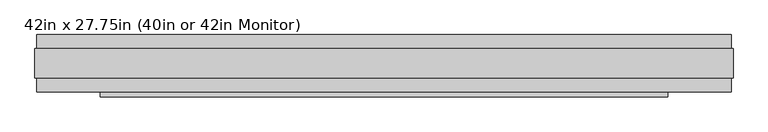
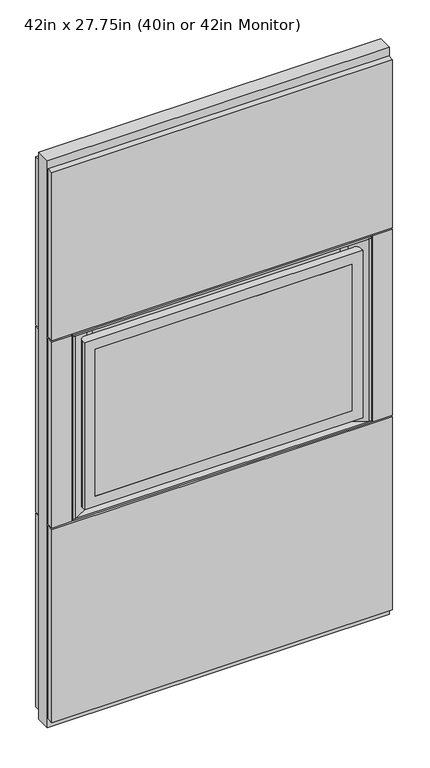
"""IFC4 building model written with IfcOpenShell, lengths in millimetres: plate geometry, 42in x 27.75in (40in or 42in Monitor)."""

from ifc_helpers import new_model, si_unit, point, frame, frame_2d, origin, place, context, project, spatial, polyline, circle_curve, trimmed, segment, composite_curve, outline, extrude, faceted_brep, source, transform, mapped, element, save
from ifc_brep_helpers import plane_surface, cylinder_surface, advanced_brep


def plate_42in_x_27_75in_40in_or_42in_monitor_c6f473be(model_context):
    return source(origin(), model_context, "Body", "SolidModel", [
        advanced_brep(
        [(495.3, -44.7032, 1428.75), (480.06, -29.4632, 1428.75), (-480.06, -29.4632, 1428.75), (-495.3, -44.7032, 1428.75), (-495.3, -58.9272, 1428.75), (495.3, -58.9272, 1428.75), (495.3, -44.7032, 800.1), (495.3, -58.9272, 800.1), (-495.3, -58.9272, 800.1), (-495.3, -44.7032, 800.1), (-480.06, -29.4632, 800.1), (480.06, -29.4632, 800.1), (-457.2, -58.9272, 838.2), (-457.2, -58.9272, 1390.65), (457.2, -58.9272, 1390.65), (457.2, -58.9272, 838.2), (-457.2, -56.3872, 1390.65), (-457.2, -56.3872, 838.2), (457.2, -56.3872, 838.2), (457.2, -56.3872, 1390.65)],
        [
            (0, 1, circle_curve(frame((480.06, -44.7032, 1428.75), z_axis=(0.0, 0.0, 1.0), x_axis=(0.0, -1.0000000000000007, 0.0)), 15.24)),
            (1, 2),
            (2, 3, circle_curve(frame((-480.06, -44.7032, 1428.75), z_axis=(0.0, 0.0, 1.0), x_axis=(0.0, -1.0000000000000007, 0.0)), 15.24)),
            (3, 4),
            (4, 5),
            (5, 0),
            (6, 7),
            (7, 8),
            (8, 9),
            (9, 10, circle_curve(frame((-480.06, -44.7032, 800.1), z_axis=(0.0, 0.0, -1.0), x_axis=(0.0, -1.0000000000000007, 0.0)), 15.24)),
            (10, 11),
            (11, 6, circle_curve(frame((480.06, -44.7032, 800.1), z_axis=(0.0, 0.0, -1.0), x_axis=(0.0, -1.0000000000000007, 0.0)), 15.24)),
            (0, 6),
            (11, 1),
            (10, 2),
            (9, 3),
            (8, 4),
            (7, 5),
            (12, 13),
            (13, 14),
            (14, 15),
            (15, 12),
            (16, 17),
            (17, 18),
            (18, 19),
            (19, 16),
            (16, 13),
            (12, 17),
            (15, 18),
            (14, 19),
        ],
        [
            plane_surface(frame((480.06, -59.9432, 1428.75), z_axis=(0.0, 0.0, 1.0), x_axis=(1.0, 0.0, 0.0))),
            plane_surface(frame((480.06, -59.9432, 800.1), z_axis=(0.0, 0.0, -1.0), x_axis=(-1.0, 0.0, 0.0))),
            cylinder_surface(frame((480.06, -44.7032, 800.1), z_axis=(0.0, 0.0, 1.0), x_axis=(0.0, -1.0000000000000007, 0.0)), 15.24),
            plane_surface(frame((480.06, -29.4632, 1428.75), z_axis=(0.0, 1.0, 0.0), x_axis=(0.0, 0.0, -1.0))),
            cylinder_surface(frame((-480.06, -44.7032, 800.1), z_axis=(0.0, 0.0, 1.0), x_axis=(0.0, -1.0000000000000007, 0.0)), 15.24),
            plane_surface(frame((-495.3, -44.7032, 1428.75), z_axis=(-1.0, 0.0, 0.0), x_axis=(0.0, 0.0, -1.0))),
            plane_surface(frame((-495.3, -58.9272, 1428.75), z_axis=(0.0, -1.0, 0.0), x_axis=(0.0, 0.0, -1.0))),
            plane_surface(frame((495.3, -58.9272, 1428.75), z_axis=(1.0, 0.0, 0.0), x_axis=(0.0, 0.0, -1.0))),
            plane_surface(frame((-457.2, -56.3872, 1390.65), z_axis=(0.0, -1.0, 0.0), x_axis=(0.0, 0.0, 1.0))),
            plane_surface(frame((-457.2, -58.9272, 1390.65), z_axis=(1.0, 0.0, 0.0), x_axis=(0.0, 1.0, 0.0))),
            plane_surface(frame((-457.2, -58.9272, 838.2), z_axis=(0.0, 0.0, 1.0), x_axis=(0.0, 1.0, 0.0))),
            plane_surface(frame((457.2, -58.9272, 838.2), z_axis=(-1.0, 0.0, 0.0), x_axis=(0.0, 1.0, 0.0))),
            plane_surface(frame((457.2, -58.9272, 1390.65), z_axis=(0.0, 0.0, -1.0), x_axis=(0.0, 1.0, 0.0))),
        ],
        [
            (0, [[1, 2, 3, 4, 5, 6]]),
            (1, [[7, 8, 9, 10, 11, 12]]),
            (2, [[-1, 13, -12, 14]]),
            (3, [[-2, -14, -11, 15]]),
            (4, [[-3, -15, -10, 16]]),
            (5, [[-4, -16, -9, 17]]),
            (6, [[-5, -17, -8, 18], [19, 20, 21, 22]]),
            (7, [[-6, -18, -7, -13]]),
            (8, [[23, 24, 25, 26]]),
            (9, [[-23, 27, -19, 28]]),
            (10, [[-24, -28, -22, 29]]),
            (11, [[-25, -29, -21, 30]]),
            (12, [[-26, -30, -20, -27]]),
        ],
    ),
        extrude(outline(polyline([(457.2, -58.9272), (-457.2, -58.9272), (-457.2, -56.3872), (457.2, -56.3872), (457.2, -58.9272)])), frame((0.0, 0.0, 838.2), z_axis=(0.0, 0.0, 1.0), x_axis=(1.0, 0.0, 0.0)), (0.0, 0.0, 1.0), 552.45),
        extrude(outline(polyline([(-606.5901, -25.9961), (606.5901, -25.9961), (606.5901, -49.9991), (-606.5901, -49.9991), (-606.5901, -25.9961)])), frame((0.0, 0.0, 1469.8599), z_axis=(0.0, 0.0, 1.0), x_axis=(1.0, 0.0, 0.0)), (0.0, 0.0, 1.0), 631.7361),
        extrude(outline(polyline([(-606.5901, -25.9961), (-536.4099, -25.9961), (-536.4099, -49.9991), (-606.5901, -49.9991), (-606.5901, -25.9961)])), frame((0.0, 0.0, 765.0099), z_axis=(0.0, 0.0, 1.0), x_axis=(1.0, 0.0, 0.0)), (0.0, 0.0, 1.0), 698.8302),
        extrude(outline(polyline([(536.4099, -25.9961), (606.5901, -25.9961), (606.5901, -49.9991), (536.4099, -49.9991), (536.4099, -25.9961)])), frame((0.0, 0.0, 765.0099), z_axis=(0.0, 0.0, 1.0), x_axis=(1.0, 0.0, 0.0)), (0.0, 0.0, 1.0), 698.8302),
        extrude(outline(polyline([(606.5901, 25.9977), (-606.5901, 25.9977), (-606.5901, 50.0007), (606.5901, 50.0007), (606.5901, 25.9977)])), frame((0.0, 0.0, 32.004), z_axis=(0.0, 0.0, 1.0), x_axis=(1.0, 0.0, 0.0)), (0.0, 0.0, 1.0), 726.9861),
        extrude(outline(polyline([(606.5901, 25.9977), (-606.5901, 25.9977), (-606.5901, 50.0007), (606.5901, 50.0007), (606.5901, 25.9977)])), frame((0.0, 0.0, 765.0099), z_axis=(0.0, 0.0, 1.0), x_axis=(1.0, 0.0, 0.0)), (0.0, 0.0, 1.0), 698.8302),
        faceted_brep([(-609.6, -25.9961, 0.0), (609.6, -25.9961, 0.0), (609.6, -25.9961, 2133.6), (-609.6, -25.9961, 2133.6), (-530.3901, -25.9961, 1463.8401), (530.3901, -25.9961, 1463.8401), (530.3901, -25.9961, 765.0099), (-530.3901, -25.9961, 765.0099), (-609.6, 25.9977, 0.0), (-609.6, 25.9977, 2133.6), (609.6, 25.9977, 2133.6), (609.6, 25.9977, 0.0), (-530.3901, 0.0008, 1463.8401), (-530.3901, 0.0008, 765.0099), (530.3901, 0.0008, 765.0099), (530.3901, 0.0008, 1463.8401)], [[[0, 1, 2, 3], [4, 5, 6, 7]], [[8, 9, 10, 11]], [[1, 0, 8, 11]], [[2, 1, 11, 10]], [[3, 2, 10, 9]], [[0, 3, 9, 8]], [[12, 13, 14, 15]], [[12, 15, 5, 4]], [[15, 14, 6, 5]], [[14, 13, 7, 6]], [[13, 12, 4, 7]]]),
        extrude(outline(polyline([(606.5901, 25.9977), (-606.5901, 25.9977), (-606.5901, 50.0007), (606.5901, 50.0007), (606.5901, 25.9977)])), frame((0.0, 0.0, 1469.8599), z_axis=(0.0, 0.0, 1.0), x_axis=(1.0, 0.0, 0.0)), (0.0, 0.0, 1.0), 631.7361),
        extrude(outline(polyline([(-606.5901, -25.9961), (606.5901, -25.9961), (606.5901, -49.9991), (-606.5901, -49.9991), (-606.5901, -25.9961)])), frame((0.0, 0.0, 32.004), z_axis=(0.0, 0.0, 1.0), x_axis=(1.0, 0.0, 0.0)), (0.0, 0.0, 1.0), 726.9861),
        extrude(outline(composite_curve([segment(polyline([(524.392043, -49.9991), (465.2596151, -18.6227454)]), True, "CONTINUOUS"), segment(trimmed(circle_curve(frame_2d((440.8888433, -64.5523291)), 51.9948187), [point((465.2596151, -18.6227454))], [point((440.8888433, -12.5575104))], True, "CARTESIAN"), True, "CONTINUOUS"), segment(polyline([(440.8888433, -12.5575104), (-440.8888433, -12.5575104)]), True, "CONTINUOUS"), segment(trimmed(circle_curve(frame_2d((-440.8888433, -64.5523292)), 51.9948188), [point((-440.8888433, -12.5575104))], [point((-465.2596152, -18.6227454))], True, "CARTESIAN"), True, "CONTINUOUS"), segment(polyline([(-465.2596152, -18.6227454), (-524.392043, -49.9991), (-530.3901, -49.9991), (-530.3901, -9.5064623), (530.3901, -9.5064623), (530.3901, -49.9991), (524.392043, -49.9991)]), True, "CONTINUOUS")], self_intersect=False)), frame((0.0, 0.0, 771.0099945), z_axis=(0.0, 0.0, 1.0), x_axis=(1.0, 0.0, 0.0)), (0.0, 0.0, 1.0), 686.830011),
        extrude(outline(polyline([(530.3901, -49.9991), (-530.3901, -49.9991), (-530.3901, -9.5064623), (530.3901, -9.5064623), (530.3901, -49.9991)])), frame((0.0, 0.0, 765.0099), z_axis=(0.0, 0.0, 1.0), x_axis=(1.0, 0.0, 0.0)), (0.0, 0.0, 1.0), 6.0000945),
        extrude(outline(polyline([(530.3901, -49.9991), (-530.3901, -49.9991), (-530.3901, -9.5064623), (530.3901, -9.5064623), (530.3901, -49.9991)])), frame((0.0, 0.0, 1457.8400055), z_axis=(0.0, 0.0, 1.0), x_axis=(1.0, 0.0, 0.0)), (0.0, 0.0, 1.0), 6.0000945),
    ])


if __name__ == "__main__":
    model = new_model("IFC4")
    model_context = context("Model", 3, world=origin())
    ifc_project = project(units=[si_unit("LENGTHUNIT", "METRE", prefix="MILLI")], contexts=[model_context])
    site = spatial("IfcSite", under=ifc_project)
    building = spatial("IfcBuilding", under=site)
    placement = place(None, origin())
    plate_42in_x_27_75in_40in_or_42in_monitor_shape = plate_42in_x_27_75in_40in_or_42in_monitor_c6f473be(model_context)
    element("IfcPlate", 1, ObjectType="42in x 27.75in (40in or 42in Monitor)", at=placement, inside=building, context=model_context, shape_type="MappedRepresentation", body=[
        mapped(plate_42in_x_27_75in_40in_or_42in_monitor_shape, transform((0.0, 0.0, 0.0), x_axis=(1.0, 0.0, 0.0), y_axis=(0.0, 1.0, 0.0), z_axis=(0.0, 0.0, 1.0))),
    ])
    save(model, "model.ifc")
